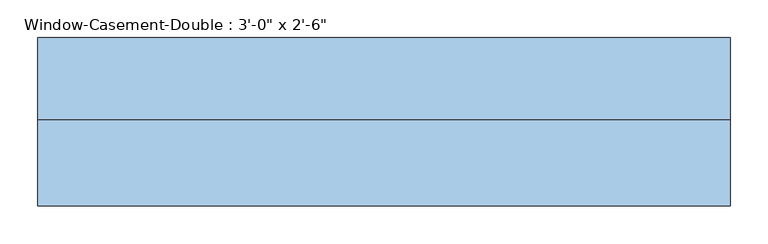
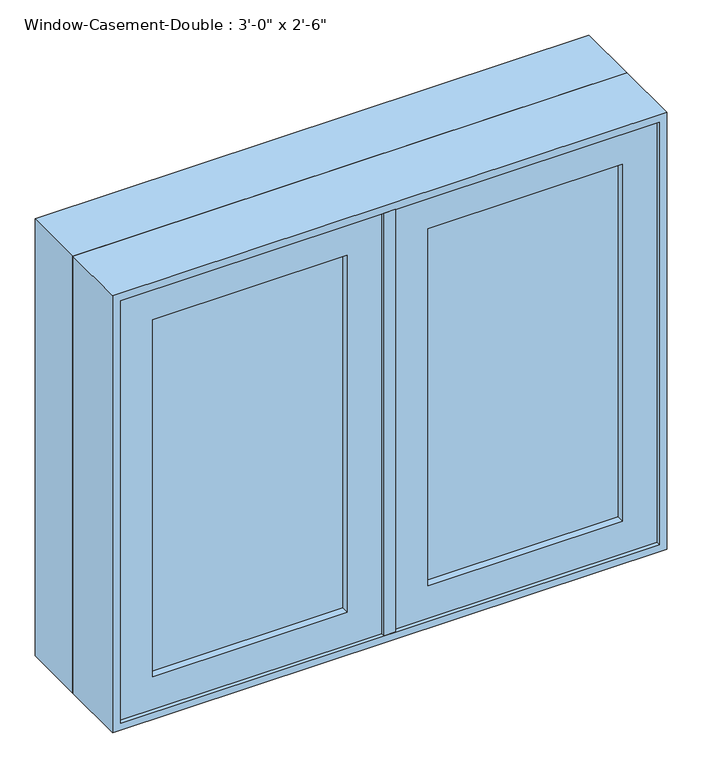
"""IFC4 building model written with IfcOpenShell, lengths in millimetres: window geometry."""

from ifc_helpers import new_model, si_unit, frame, origin, place, context, project, spatial, polyline, outline, extrude, faceted_brep, source, transform, mapped, element, save


def window_e12d003e(model_context):
    return source(origin(), model_context, "Body", "SolidModel", [
        faceted_brep([(9.525, -120.65, 1663.7), (9.525, -69.85, 1663.7), (-9.525, -69.85, 1663.7), (-9.525, -120.65, 1663.7), (9.525, -120.65, 927.1), (-9.525, -120.65, 927.1), (-9.525, -69.85, 927.1), (9.525, -69.85, 927.1), (-9.525, -69.85, 1644.65), (-9.525, -69.85, 946.15), (-30.1625, -69.85, 1644.65), (-30.1625, -69.85, 946.15), (-30.1625, -6.35, 1644.65), (-30.1625, -6.35, 946.15), (30.1625, -6.35, 1644.65), (30.1625, -6.35, 946.15), (30.1625, -69.85, 1644.65), (30.1625, -69.85, 946.15), (9.525, -69.85, 1644.65), (9.525, -69.85, 946.15)], [[[0, 1, 2, 3]], [[4, 5, 6, 7]], [[3, 5, 4, 0]], [[2, 8, 9, 6, 5, 3]], [[8, 10, 11, 9]], [[10, 12, 13, 11]], [[12, 14, 15, 13]], [[14, 16, 17, 15]], [[16, 18, 19, 17]], [[0, 4, 7, 19, 18, 1]], [[8, 2, 1, 18]], [[19, 7, 6, 9]], [[9, 11, 13, 15, 17, 19]], [[18, 16, 14, 12, 10, 8]]]),
        extrude(outline(polyline([(-66.675, -101.6), (-387.35, -101.6), (-387.35, -95.25), (-66.675, -95.25), (-66.675, -101.6)])), frame((0.0, 0.0, 984.25), z_axis=(0.0, 0.0, 1.0), x_axis=(1.0, 0.0, 0.0)), (0.0, 0.0, 1.0), 622.3),
        extrude(outline(polyline([(-387.35, -82.55), (-66.675, -82.55), (-66.675, -88.9), (-387.35, -88.9), (-387.35, -82.55)])), frame((0.0, 0.0, 984.25), z_axis=(0.0, 0.0, 1.0), x_axis=(1.0, 0.0, 0.0)), (0.0, 0.0, 1.0), 622.3),
        extrude(outline(polyline([(387.35, -101.6), (66.675, -101.6), (66.675, -95.25), (387.35, -95.25), (387.35, -101.6)])), frame((0.0, 0.0, 984.25), z_axis=(0.0, 0.0, 1.0), x_axis=(1.0, 0.0, 0.0)), (0.0, 0.0, 1.0), 622.3),
        extrude(outline(polyline([(66.675, -82.55), (387.35, -82.55), (387.35, -88.9), (66.675, -88.9), (66.675, -82.55)])), frame((0.0, 0.0, 984.25), z_axis=(0.0, 0.0, 1.0), x_axis=(1.0, 0.0, 0.0)), (0.0, 0.0, 1.0), 622.3),
        extrude(outline(polyline([(1663.7, -9.525), (1663.7, -444.5), (927.1, -444.5), (927.1, -9.525), (1663.7, -9.525)]), holes=[polyline([(1606.55, -387.35), (1606.55, -66.675), (984.25, -66.675), (984.25, -387.35), (1606.55, -387.35)])]), frame((0.0, -114.3, 0.0), z_axis=(0.0, 1.0, 0.0), x_axis=(0.0, 0.0, 1.0)), (0.0, 0.0, 1.0), 44.45),
        extrude(outline(polyline([(927.1, 9.525), (927.1, 444.5), (1663.7, 444.5), (1663.7, 9.525), (927.1, 9.525)]), holes=[polyline([(984.25, 387.35), (984.25, 66.675), (1606.55, 66.675), (1606.55, 387.35), (984.25, 387.35)])]), frame((0.0, -114.3, 0.0), z_axis=(0.0, 1.0, 0.0), x_axis=(0.0, 0.0, 1.0)), (0.0, 0.0, 1.0), 44.45),
        extrude(outline(polyline([(1676.4, -457.2), (914.4, -457.2), (914.4, 457.2), (1676.4, 457.2), (1676.4, -457.2)]), holes=[polyline([(1657.35, 438.15), (933.45, 438.15), (933.45, -438.15), (1657.35, -438.15), (1657.35, 438.15)])]), frame((0.0, -6.35, 0.0), z_axis=(0.0, 1.0, 0.0), x_axis=(0.0, 0.0, 1.0)), (0.0, 0.0, 1.0), 107.95),
        faceted_brep([(425.45, -69.85, 1644.65), (-425.45, -69.85, 1644.65), (-425.45, -6.35, 1644.65), (425.45, -6.35, 1644.65), (444.5, -120.65, 1663.7), (-444.5, -120.65, 1663.7), (-444.5, -69.85, 1663.7), (444.5, -69.85, 1663.7), (457.2, -6.35, 1676.4), (-457.2, -6.35, 1676.4), (-457.2, -120.65, 1676.4), (457.2, -120.65, 1676.4), (-425.45, -69.85, 946.15), (-425.45, -6.35, 946.15), (-444.5, -120.65, 927.1), (-444.5, -69.85, 927.1), (-457.2, -6.35, 914.4), (-457.2, -120.65, 914.4), (425.45, -69.85, 946.15), (425.45, -6.35, 946.15), (444.5, -120.65, 927.1), (444.5, -69.85, 927.1), (457.2, -6.35, 914.4), (457.2, -120.65, 914.4)], [[[0, 1, 2, 3]], [[4, 5, 6, 7]], [[8, 9, 10, 11]], [[1, 12, 13, 2]], [[5, 14, 15, 6]], [[9, 16, 17, 10]], [[12, 18, 19, 13]], [[14, 20, 21, 15]], [[16, 22, 23, 17]], [[9, 8, 22, 16], [3, 2, 13, 19]], [[18, 0, 3, 19]], [[7, 6, 15, 21], [1, 0, 18, 12]], [[20, 4, 7, 21]], [[22, 8, 11, 23]], [[11, 10, 17, 23], [5, 4, 20, 14]]]),
    ])


if __name__ == "__main__":
    model = new_model("IFC4")
    model_context = context("Model", 3, world=origin())
    ifc_project = project(units=[si_unit("LENGTHUNIT", "METRE", prefix="MILLI")], contexts=[model_context])
    site = spatial("IfcSite", under=ifc_project)
    building = spatial("IfcBuilding", under=site)
    placement = place(None, origin())
    window_shape = window_e12d003e(model_context)
    element("IfcWindow", 1, ObjectType="Window-Casement-Double : 3'-0\" x 2'-6\"", at=placement, inside=building, context=model_context, shape_type="MappedRepresentation", body=[
        mapped(window_shape, transform((0.0, 0.0, 0.0), x_axis=(1.0, 0.0, 0.0), y_axis=(0.0, 1.0, 0.0), z_axis=(0.0, 0.0, 1.0))),
    ])
    save(model, "model.ifc")
